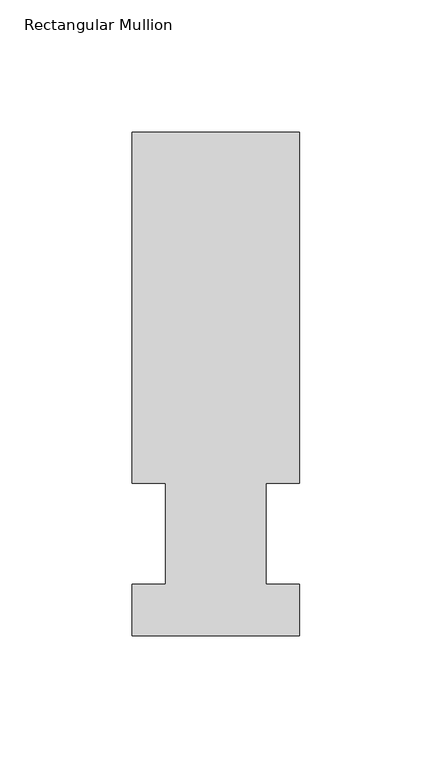
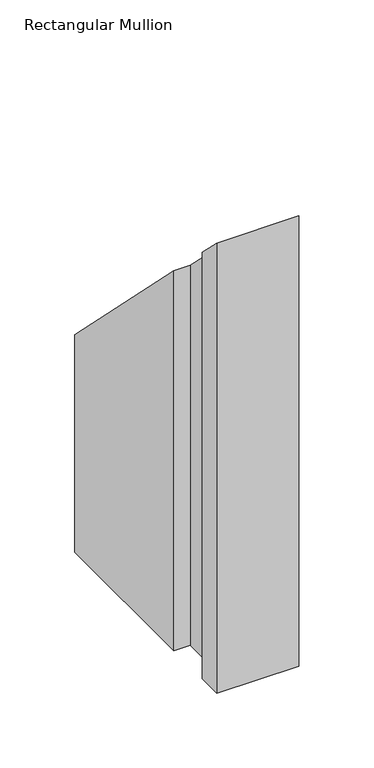
"""IFC4 building model written with IfcOpenShell, lengths in millimetres: member geometry, Rectangular Mullion."""

from ifc_helpers import new_model, si_unit, origin, place, context, project, spatial, faceted_brep, source, transform, mapped, element, save


def rectangular_mullion_538c25e2(model_context):
    return source(origin(), model_context, "Body", "Brep", [
        faceted_brep([(-63.5, 57.6460937, -368.3), (-63.5, 190.5896938, -368.3), (0.0, 190.5896938, -368.3), (0.0, 57.6460937, -368.3), (-12.6873, 57.6460937, -368.3), (-12.6873, 19.5460938, -368.3), (0.0, 19.5460938, -368.3), (0.0, 0.0134938, -368.3), (-63.5, 0.0134938, -368.3), (-63.5, 19.5460938, -368.3), (-50.8, 19.5460938, -368.3), (-50.8, 57.6460937, -368.3), (-50.8, 57.6460937, -57.6460937), (-63.5, 57.6460937, -57.6460937), (-50.8, 19.5460938, -19.5460938), (-63.5, 19.5460938, -19.5460938), (-63.5, 0.0134938, -0.0134938), (0.0, 0.0134938, -0.0134938), (0.0, 19.5460938, -19.5460938), (-12.6873, 19.5460938, -19.5460938), (-12.6873, 57.6460937, -57.6460937), (0.0, 57.6460937, -57.6460937), (0.0, 190.5896938, -190.5896938), (-63.5, 190.5896938, -190.5896938)], [[[0, 1, 2, 3, 4, 5, 6, 7, 8, 9, 10, 11]], [[12, 13, 0, 11]], [[14, 12, 11, 10]], [[15, 14, 10, 9]], [[16, 15, 9, 8]], [[17, 16, 8, 7]], [[18, 17, 7, 6]], [[19, 18, 6, 5]], [[20, 19, 5, 4]], [[21, 20, 4, 3]], [[22, 21, 3, 2]], [[23, 22, 2, 1]], [[13, 23, 1, 0]], [[13, 12, 14, 15, 16, 17, 18, 19, 20, 21, 22, 23]]]),
    ])


if __name__ == "__main__":
    model = new_model("IFC4")
    model_context = context("Model", 3, world=origin())
    ifc_project = project(units=[si_unit("LENGTHUNIT", "METRE", prefix="MILLI")], contexts=[model_context])
    site = spatial("IfcSite", under=ifc_project)
    building = spatial("IfcBuilding", under=site)
    placement = place(None, origin())
    rectangular_mullion_shape = rectangular_mullion_538c25e2(model_context)
    element("IfcMember", 1, ObjectType="Rectangular Mullion", at=placement, inside=building, context=model_context, shape_type="MappedRepresentation", body=[
        mapped(rectangular_mullion_shape, transform((0.0, 0.0, 0.0), x_axis=(1.0, 0.0, 0.0), y_axis=(0.0, 1.0, 0.0), z_axis=(0.0, 0.0, 1.0))),
    ])
    save(model, "model.ifc")
